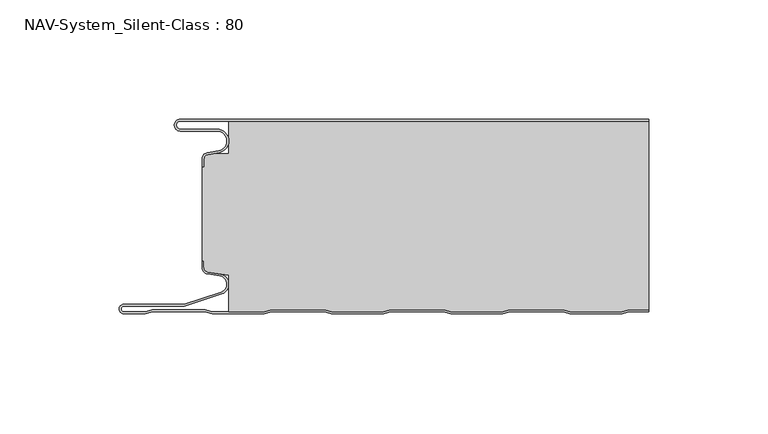
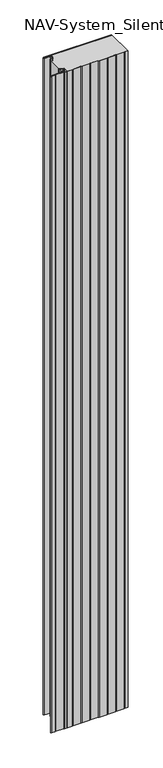
"""IFC4 building model written with IfcOpenShell, lengths in millimetres: plate geometry, NAV-System_Silent-Class : 80."""

from ifc_helpers import new_model, si_unit, frame, origin, place, context, project, spatial, polyline, circle_curve, source, transform, mapped, element, save
from ifc_brep_helpers import plane_surface, cylinder_surface, revolved_surface, advanced_brep


def nav_system_silent_class_80_f491440d(model_context):
    return source(origin(), model_context, "Body", "AdvancedBrep", [
        advanced_brep(
        [(-97.0000001, -0.8000002, 0.0), (-97.0000001, -4.1999999, 0.0), (-81.6002086, -4.1999999, 0.0), (-80.7423864, -14.0049502, 0.0), (-85.6125665, -14.8636946, 0.0), (-87.1000004, -16.6363494, 0.0), (-87.1000014, -19.9421291, 0.0), (-87.9000014, -19.9421291, 0.0), (-87.9000014, -16.6363484, 0.0), (-85.7514853, -14.0758488, 0.0), (-80.8813015, -13.217104, 0.0), (-81.600205, -4.9999999, 0.0), (-97.0000001, -4.9999999, 0.0), (-97.0000001, 0.0, 0.0), (99.5, 0.0, 0.0), (99.5, -0.8, 0.0), (-97.0000001, 0.0, 2000.0), (-97.0000001, -4.9999999, 2000.0), (-81.600205, -4.9999999, 2000.0), (-80.8813015, -13.217104, 2000.0), (-85.7514853, -14.0758488, 2000.0), (-87.8999997, -16.6363484, 2000.0), (-87.9000014, -19.9421291, 2000.0), (-87.1000014, -19.9421291, 2000.0), (-87.1000014, -16.6363494, 2000.0), (-85.6125665, -14.8636946, 2000.0), (-80.7423864, -14.0049502, 2000.0), (-81.6002086, -4.1999999, 2000.0), (-97.0000001, -4.1999999, 2000.0), (-97.0000001, -0.8000002, 2000.0), (99.5, -0.8, 2000.0), (99.5, 0.0, 2000.0)],
        [
            (0, 1, circle_curve(frame((-97.0000001, -2.5, 0.0), z_axis=(0.0, 0.0, 1.0), x_axis=(1.0, 0.0, 0.0)), 1.6999999)),
            (1, 2),
            (2, 3, circle_curve(frame((-81.6002086, -9.1399999, 0.0), z_axis=(0.0, 0.0, -1.0), x_axis=(1.0, 0.0, 0.0)), 4.94)),
            (3, 4),
            (4, 5, circle_curve(frame((-85.2999995, -16.6363494, 0.0), z_axis=(0.0, 0.0, 1.0), x_axis=(1.0, 0.0, 0.0)), 1.8000009)),
            (5, 6),
            (6, 7),
            (7, 8),
            (8, 9, circle_curve(frame((-85.3000002, -16.6363484, 0.0), z_axis=(0.0, 0.0, -1.0), x_axis=(1.0, 0.0, 0.0)), 2.5999995)),
            (9, 10),
            (10, 11, circle_curve(frame((-81.600205, -9.1399999, 0.0), z_axis=(0.0, 0.0, 1.0), x_axis=(1.0, 0.0, 0.0)), 4.14)),
            (11, 12),
            (12, 13, circle_curve(frame((-97.0000001, -2.4999999, 0.0), z_axis=(0.0, 0.0, -1.0), x_axis=(1.0, 0.0, 0.0)), 2.4999999)),
            (13, 14),
            (14, 15),
            (15, 0),
            (16, 17, circle_curve(frame((-97.0000001, -2.4999999, 2000.0), z_axis=(0.0, 0.0, 1.0), x_axis=(1.0, 0.0, 0.0)), 2.4999999)),
            (17, 18),
            (18, 19, circle_curve(frame((-81.600205, -9.1399999, 2000.0), z_axis=(0.0, 0.0, -1.0), x_axis=(1.0, 0.0, 0.0)), 4.14)),
            (19, 20),
            (20, 21, circle_curve(frame((-85.3000002, -16.6363484, 2000.0), z_axis=(0.0, 0.0, 1.0), x_axis=(1.0, 0.0, 0.0)), 2.5999995)),
            (21, 22),
            (22, 23),
            (23, 24),
            (24, 25, circle_curve(frame((-85.2999995, -16.6363494, 2000.0), z_axis=(0.0, 0.0, -1.0), x_axis=(1.0, 0.0, 0.0)), 1.8000009)),
            (25, 26),
            (26, 27, circle_curve(frame((-81.6002086, -9.1399999, 2000.0), z_axis=(0.0, 0.0, 1.0), x_axis=(1.0, 0.0, 0.0)), 4.94)),
            (27, 28),
            (28, 29, circle_curve(frame((-97.0000001, -2.5, 2000.0), z_axis=(0.0, 0.0, -1.0), x_axis=(1.0, 0.0, 0.0)), 1.6999999)),
            (29, 30),
            (30, 31),
            (31, 16),
            (29, 0),
            (15, 30),
            (13, 16),
            (31, 14),
            (1, 28),
            (27, 2),
            (5, 24),
            (23, 6),
            (22, 7),
            (21, 8),
            (11, 18),
            (17, 12),
            (26, 3),
            (25, 4),
            (20, 9),
            (19, 10),
        ],
        [
            plane_surface(frame((-99.5, 0.0, 0.0), z_axis=(0.0, 0.0, -1.0), x_axis=(0.0, -1.0, 0.0))),
            plane_surface(frame((-99.5, 0.0, 2000.0), z_axis=(0.0, 0.0, 1.0), x_axis=(0.0, -1.0, 0.0))),
            plane_surface(frame((898.5000017, -0.8, 0.0), z_axis=(0.0, -1.0, 0.0), x_axis=(0.0, 0.0, 1.0))),
            plane_surface(frame((-97.0000001, 0.0, 0.0), z_axis=(0.0, 1.0, 0.0), x_axis=(0.0, 0.0, 1.0))),
            plane_surface(frame((-97.0000001, -4.1999999, 0.0), z_axis=(0.0, 1.0, 0.0), x_axis=(0.0, 0.0, 1.0))),
            plane_surface(frame((-87.1000014, -16.6363494, 0.0), z_axis=(1.0, 0.0, 0.0), x_axis=(0.0, 0.0, 1.0))),
            plane_surface(frame((-87.1000014, -19.9421291, 0.0), z_axis=(0.0, -1.0, 0.0), x_axis=(0.0, 0.0, 1.0))),
            plane_surface(frame((-87.9000014, -19.9421291, 0.0), z_axis=(-1.0, 0.0, 0.0), x_axis=(0.0, 0.0, 1.0))),
            plane_surface(frame((-81.600205, -4.9999999, 0.0), z_axis=(0.0, -1.0, 0.0), x_axis=(0.0, 0.0, 1.0))),
            revolved_surface(polyline([(-95.3000002, -2.5, 2000.0), (-95.3000002, -2.5, 0.0)]), (-97.0000001, -2.5, 0.0), (0.0, 0.0, 1.0)),
            cylinder_surface(frame((-81.6002086, -9.1399999, 0.0), z_axis=(0.0, 0.0, -1.0), x_axis=(1.0, 0.0, 0.0)), 4.94),
            plane_surface(frame((-80.7423864, -14.0049502, 0.0), z_axis=(0.17364822279076972, -0.9848077450556567, 0.0), x_axis=(0.0, 0.0, 1.0))),
            revolved_surface(polyline([(-83.4999986, -16.6363494, 2000.0), (-83.4999986, -16.6363494, 0.0)]), (-85.2999995, -16.6363494, 0.0), (0.0, 0.0, 1.0)),
            cylinder_surface(frame((-85.3000002, -16.6363484, 0.0), z_axis=(0.0, 0.0, -1.0), x_axis=(1.0, 0.0, 0.0)), 2.5999995),
            plane_surface(frame((-85.7514853, -14.0758488, 0.0), z_axis=(-0.17364817295915452, 0.984807753842316, 0.0), x_axis=(0.0, 0.0, 1.0))),
            revolved_surface(polyline([(-77.460205, -9.1399999, 2000.0), (-77.460205, -9.1399999, 0.0)]), (-81.600205, -9.1399999, 0.0), (0.0, 0.0, 1.0)),
            cylinder_surface(frame((-97.0000001, -2.4999999, 0.0), z_axis=(0.0, 0.0, -1.0), x_axis=(1.0, 0.0, 0.0)), 2.4999999),
            plane_surface(frame((99.5, 100.0, 2000.0), z_axis=(1.0, 0.0, 0.0), x_axis=(0.0, 0.0, -1.0))),
        ],
        [
            (0, [[1, 2, 3, 4, 5, 6, 7, 8, 9, 10, 11, 12, 13, 14, 15, 16]]),
            (1, [[17, 18, 19, 20, 21, 22, 23, 24, 25, 26, 27, 28, 29, 30, 31, 32]]),
            (2, [[33, -16, 34, -30]]),
            (3, [[35, -32, 36, -14]]),
            (4, [[-2, 37, -28, 38]]),
            (5, [[-6, 39, -24, 40]]),
            (6, [[-7, -40, -23, 41]]),
            (7, [[-8, -41, -22, 42]]),
            (8, [[-12, 43, -18, 44]]),
            (9, [[-1, -33, -29, -37]]),
            (10, [[-3, -38, -27, 45]]),
            (11, [[-4, -45, -26, 46]]),
            (12, [[-5, -46, -25, -39]]),
            (13, [[-9, -42, -21, 47]]),
            (14, [[-10, -47, -20, 48]]),
            (15, [[-11, -48, -19, -43]]),
            (16, [[-13, -44, -17, -35]]),
            (17, [[-15, -36, -31, -34]]),
        ],
    ),
        advanced_brep(
        [(-76.6719045, -0.8, 2000.0), (-76.6719045, -14.4343223, 2000.0), (-83.1891722, -14.4343223, 2000.0), (-85.6242625, -14.8636946, 2000.0), (-87.1116964, -16.636349, 2000.0), (-87.1116974, -19.9512003, 2000.0), (-87.9116974, -19.9512003, 2000.0), (-87.9116974, -59.3983656, 2000.0), (-87.1116974, -59.3983656, 2000.0), (-87.1116974, -62.1656409, 2000.0), (-85.4245663, -64.1410176, 2000.0), (-76.6248082, -65.5347623, 2000.0), (-76.6248082, -80.8, 2000.0), (-61.8218295, -80.8, 2000.0), (-58.7610803, -80.0, 2000.0), (-36.5891849, -80.0, 2000.0), (-33.5284357, -80.8, 2000.0), (-11.8218295, -80.8, 2000.0), (-8.7610803, -80.0, 2000.0), (13.4108151, -80.0, 2000.0), (16.4715643, -80.8, 2000.0), (38.1904, -80.8, 2000.0), (41.2511493, -80.0, 2000.0), (63.4108151, -80.0, 2000.0), (66.4715643, -80.8, 2000.0), (88.1781705, -80.8, 2000.0), (91.2389197, -80.0, 2000.0), (99.5, -80.0, 2000.0), (99.5, -0.8, 2000.0), (91.2389197, -80.0, 0.0), (88.1781705, -80.8, 0.0), (66.4715643, -80.8, 0.0), (63.4108151, -80.0, 0.0), (41.2511493, -80.0, 0.0), (38.1904, -80.8, 0.0), (16.4715643, -80.8, 0.0), (13.4108151, -80.0, 0.0), (-8.7610803, -80.0, 0.0), (-11.8218295, -80.8, 0.0), (-33.5284357, -80.8, 0.0), (-36.5891849, -80.0, 0.0), (-58.7610803, -80.0, 0.0), (-61.8218295, -80.8, 0.0), (-76.6248082, -80.8, 0.0), (-76.6248082, -65.5347623, 0.0), (-85.4245663, -64.1410176, 0.0), (-87.1116974, -62.1656409, 0.0), (-87.1116974, -59.3983656, 0.0), (-87.9116974, -59.3983656, 0.0), (-87.9116974, -19.9512003, 0.0), (-87.1116974, -19.9512003, 0.0), (-87.1116974, -16.636349, 0.0), (-85.6242625, -14.8636946, 0.0), (-83.1891722, -14.4343223, 0.0), (-76.6719045, -14.4343223, 0.0), (-76.6719045, -0.8, 0.0), (99.5, -0.8, 0.0), (99.5, -80.0, 0.0)],
        [
            (0, 1),
            (1, 2),
            (2, 3),
            (3, 4, circle_curve(frame((-85.3116955, -16.6363494, 2000.0), z_axis=(0.0, 0.0, 1.0), x_axis=(1.0, 0.0, 0.0)), 1.8000009)),
            (4, 5),
            (5, 6),
            (6, 7),
            (7, 8),
            (8, 9),
            (9, 10, circle_curve(frame((-85.1116974, -62.1656409, 2000.0), z_axis=(0.0, 0.0, 1.0), x_axis=(1.0, 0.0, 0.0)), 2.0)),
            (10, 11),
            (11, 12),
            (12, 13),
            (13, 14),
            (14, 15),
            (15, 16),
            (16, 17),
            (17, 18),
            (18, 19),
            (19, 20),
            (20, 21),
            (21, 22),
            (22, 23),
            (23, 24),
            (24, 25),
            (25, 26),
            (26, 27),
            (27, 28),
            (28, 0),
            (29, 30),
            (30, 31),
            (31, 32),
            (32, 33),
            (33, 34),
            (34, 35),
            (35, 36),
            (36, 37),
            (37, 38),
            (38, 39),
            (39, 40),
            (40, 41),
            (41, 42),
            (42, 43),
            (43, 44),
            (44, 45),
            (45, 46, circle_curve(frame((-85.1116974, -62.1656409, 0.0), z_axis=(0.0, 0.0, -1.0), x_axis=(1.0, 0.0, 0.0)), 2.0)),
            (46, 47),
            (47, 48),
            (48, 49),
            (49, 50),
            (50, 51),
            (51, 52, circle_curve(frame((-85.3116955, -16.6363494, 0.0), z_axis=(0.0, 0.0, -1.0), x_axis=(1.0, 0.0, 0.0)), 1.8000009)),
            (52, 53),
            (53, 54),
            (54, 55),
            (55, 56),
            (56, 57),
            (57, 29),
            (55, 0),
            (28, 56),
            (54, 1),
            (53, 2),
            (52, 3),
            (51, 4),
            (50, 5),
            (49, 6),
            (48, 7),
            (47, 8),
            (46, 9),
            (45, 10),
            (44, 11),
            (43, 12),
            (42, 13),
            (41, 14),
            (40, 15),
            (39, 16),
            (38, 17),
            (37, 18),
            (36, 19),
            (35, 20),
            (34, 21),
            (33, 22),
            (32, 23),
            (31, 24),
            (30, 25),
            (29, 26),
            (57, 27),
        ],
        [
            plane_surface(frame((-99.5, 0.0, 2000.0), z_axis=(0.0, 0.0, 1.0), x_axis=(0.0, -1.0, 0.0))),
            plane_surface(frame((-99.5, 0.0, 0.0), z_axis=(0.0, 0.0, -1.0), x_axis=(0.0, -1.0, 0.0))),
            plane_surface(frame((898.4883057, -0.8, 2000.0), z_axis=(0.0, 1.0, 0.0), x_axis=(0.0, 0.0, -1.0))),
            plane_surface(frame((-76.6719045, -0.8, 2000.0), z_axis=(-1.0, 0.0, 0.0), x_axis=(0.0, 0.0, -1.0))),
            plane_surface(frame((-76.6719045, -14.4343223, 2000.0), z_axis=(0.0, 1.0, 0.0), x_axis=(0.0, 0.0, -1.0))),
            plane_surface(frame((-83.1891722, -14.4343223, 2000.0), z_axis=(-0.17364822279077605, 0.9848077450556556, 0.0), x_axis=(0.0, 0.0, -1.0))),
            cylinder_surface(frame((-85.3116955, -16.6363494, 2000.0), z_axis=(0.0, 0.0, 1.0), x_axis=(1.0, 0.0, 0.0)), 1.8000009),
            plane_surface(frame((-87.1116974, -16.636349, 2000.0), z_axis=(-1.0, 0.0, 0.0), x_axis=(0.0, 0.0, -1.0))),
            plane_surface(frame((-87.1116974, -19.9512003, 2000.0), z_axis=(0.0, 1.0, 0.0), x_axis=(0.0, 0.0, -1.0))),
            plane_surface(frame((-87.9116974, -19.9512003, 2000.0), z_axis=(-1.0, 0.0, 0.0), x_axis=(0.0, 0.0, -1.0))),
            plane_surface(frame((-87.9116974, -59.3983656, 2000.0), z_axis=(0.0, -1.0, 0.0), x_axis=(0.0, 0.0, -1.0))),
            plane_surface(frame((-87.1116974, -59.3983656, 2000.0), z_axis=(-1.0, 0.0, 0.0), x_axis=(0.0, 0.0, -1.0))),
            cylinder_surface(frame((-85.1116974, -62.1656409, 2000.0), z_axis=(0.0, 0.0, 1.0), x_axis=(1.0, 0.0, 0.0)), 2.0),
            plane_surface(frame((-85.4245663, -64.1410176, 2000.0), z_axis=(-0.15643446503997957, -0.9876883405951775, 0.0), x_axis=(0.0, 0.0, -1.0))),
            plane_surface(frame((-76.6248082, -65.5347623, 2000.0), z_axis=(-1.0, 0.0, 0.0), x_axis=(0.0, 0.0, -1.0))),
            plane_surface(frame((-76.6248082, -80.8, 2000.0), z_axis=(0.0, -1.0, 0.0), x_axis=(0.0, 0.0, -1.0))),
            plane_surface(frame((-61.8218295, -80.8, 2000.0), z_axis=(0.25287873100818337, -0.9674979831522601, 0.0), x_axis=(0.0, 0.0, -1.0))),
            plane_surface(frame((-58.7610803, -80.0, 2000.0), z_axis=(0.0, -1.0, 0.0), x_axis=(0.0, 0.0, -1.0))),
            plane_surface(frame((-36.5891849, -80.0, 2000.0), z_axis=(-0.2528787310100107, -0.9674979831517825, 0.0), x_axis=(0.0, 0.0, -1.0))),
            plane_surface(frame((-33.5284357, -80.8, 2000.0), z_axis=(0.0, -1.0, 0.0), x_axis=(0.0, 0.0, -1.0))),
            plane_surface(frame((-11.8218295, -80.8, 2000.0), z_axis=(0.2528787310082462, -0.9674979831522437, 0.0), x_axis=(0.0, 0.0, -1.0))),
            plane_surface(frame((-8.7610803, -80.0, 2000.0), z_axis=(0.0, -1.0, 0.0), x_axis=(0.0, 0.0, -1.0))),
            plane_surface(frame((13.4108151, -80.0, 2000.0), z_axis=(-0.25287873100843644, -0.9674979831521939, 0.0), x_axis=(0.0, 0.0, -1.0))),
            plane_surface(frame((16.4715643, -80.8, 2000.0), z_axis=(0.0, -1.0, 0.0), x_axis=(0.0, 0.0, -1.0))),
            plane_surface(frame((38.1904, -80.8, 2000.0), z_axis=(0.25287873100806824, -0.9674979831522902, 0.0), x_axis=(0.0, 0.0, -1.0))),
            plane_surface(frame((41.2511493, -80.0, 2000.0), z_axis=(0.0, -1.0, 0.0), x_axis=(0.0, 0.0, -1.0))),
            plane_surface(frame((63.4108151, -80.0, 2000.0), z_axis=(-0.25287873100835406, -0.9674979831522155, 0.0), x_axis=(0.0, 0.0, -1.0))),
            plane_surface(frame((66.4715643, -80.8, 2000.0), z_axis=(0.0, -1.0, 0.0), x_axis=(0.0, 0.0, -1.0))),
            plane_surface(frame((88.1781705, -80.8, 2000.0), z_axis=(0.25287873100822345, -0.9674979831522497, 0.0), x_axis=(0.0, 0.0, -1.0))),
            plane_surface(frame((91.2389197, -80.0, 2000.0), z_axis=(0.0, -1.0, 0.0), x_axis=(0.0, 0.0, -1.0))),
            plane_surface(frame((99.5, 100.0, 2000.0), z_axis=(1.0, 0.0, 0.0), x_axis=(0.0, 0.0, -1.0))),
        ],
        [
            (0, [[1, 2, 3, 4, 5, 6, 7, 8, 9, 10, 11, 12, 13, 14, 15, 16, 17, 18, 19, 20, 21, 22, 23, 24, 25, 26, 27, 28, 29]]),
            (1, [[30, 31, 32, 33, 34, 35, 36, 37, 38, 39, 40, 41, 42, 43, 44, 45, 46, 47, 48, 49, 50, 51, 52, 53, 54, 55, 56, 57, 58]]),
            (2, [[59, -29, 60, -56]]),
            (3, [[-1, -59, -55, 61]]),
            (4, [[-2, -61, -54, 62]]),
            (5, [[-3, -62, -53, 63]]),
            (6, [[-4, -63, -52, 64]]),
            (7, [[-5, -64, -51, 65]]),
            (8, [[-6, -65, -50, 66]]),
            (9, [[-7, -66, -49, 67]]),
            (10, [[-8, -67, -48, 68]]),
            (11, [[-9, -68, -47, 69]]),
            (12, [[-10, -69, -46, 70]]),
            (13, [[-11, -70, -45, 71]]),
            (14, [[-12, -71, -44, 72]]),
            (15, [[-13, -72, -43, 73]]),
            (16, [[-14, -73, -42, 74]]),
            (17, [[-15, -74, -41, 75]]),
            (18, [[-16, -75, -40, 76]]),
            (19, [[-17, -76, -39, 77]]),
            (20, [[-18, -77, -38, 78]]),
            (21, [[-19, -78, -37, 79]]),
            (22, [[-20, -79, -36, 80]]),
            (23, [[-21, -80, -35, 81]]),
            (24, [[-22, -81, -34, 82]]),
            (25, [[-23, -82, -33, 83]]),
            (26, [[-24, -83, -32, 84]]),
            (27, [[-25, -84, -31, 85]]),
            (28, [[-26, -85, -30, 86]]),
            (29, [[-86, -58, 87, -27]]),
            (30, [[-28, -87, -57, -60]]),
        ],
    ),
        advanced_brep(
        [(91.239397, -80.0, 2000.0), (88.1786477, -80.8, 2000.0), (66.4720416, -80.8, 2000.0), (63.4112923, -80.0, 2000.0), (41.2516265, -80.0, 2000.0), (38.1908772, -80.8, 2000.0), (16.4720416, -80.8, 2000.0), (13.4112923, -80.0, 2000.0), (-8.760603, -80.0, 2000.0), (-11.8213523, -80.8, 2000.0), (-33.5279584, -80.8, 2000.0), (-36.5887077, -80.0, 2000.0), (-58.760603, -80.0, 2000.0), (-61.8213523, -80.8, 2000.0), (-83.5279584, -80.8, 2000.0), (-86.5887077, -80.0, 2000.0), (-108.760603, -80.0, 2000.0), (-111.8190206, -80.7993906, 2000.0), (-120.7154182, -80.7993906, 2000.0), (-120.6771783, -78.4000003, 2000.0), (-95.3414726, -78.4000003, 2000.0), (-79.6231923, -73.2926893, 2000.0), (-80.2358126, -64.9629887, 2000.0), (-85.4240891, -64.1412465, 2000.0), (-87.1112201, -62.1658698, 2000.0), (-87.1112201, -59.3985945, 2000.0), (-87.9112201, -59.3985945, 2000.0), (-87.9112201, -62.1658698, 2000.0), (-85.5140582, -64.93674, 2000.0), (-80.4044746, -65.7460185, 2000.0), (-79.8704103, -72.5316172, 2000.0), (-95.4681798, -77.6000003, 2000.0), (-120.6771783, -77.6000003, 2000.0), (-120.726556, -81.5993906, 2000.0), (-111.7161981, -81.5993906, 2000.0), (-108.6577806, -80.8, 2000.0), (-86.6915302, -80.8, 2000.0), (-83.6307809, -81.6, 2000.0), (-61.7185298, -81.6, 2000.0), (-58.6577806, -80.8, 2000.0), (-36.6915302, -80.8, 2000.0), (-33.6307809, -81.6, 2000.0), (-11.7185298, -81.6, 2000.0), (-8.6577806, -80.8, 2000.0), (13.3084698, -80.8, 2000.0), (16.3692191, -81.6, 2000.0), (38.2936997, -81.6, 2000.0), (41.354449, -80.8, 2000.0), (63.3084698, -80.8, 2000.0), (66.3692191, -81.6, 2000.0), (88.2814702, -81.6, 2000.0), (91.3422194, -80.8, 2000.0), (99.5, -80.8, 2000.0), (99.5, -80.0, 2000.0), (91.3422194, -80.8, 0.0), (88.2814702, -81.6, 0.0), (66.3692191, -81.6, 0.0), (63.3084698, -80.8, 0.0), (41.354449, -80.8, 0.0), (38.2936997, -81.6, 0.0), (16.3692191, -81.6, 0.0), (13.3084698, -80.8, 0.0), (-8.6577806, -80.8, 0.0), (-11.7185298, -81.6, 0.0), (-33.6307809, -81.6, 0.0), (-36.6915302, -80.8, 0.0), (-58.6577806, -80.8, 0.0), (-61.7185298, -81.6, 0.0), (-83.6307809, -81.6, 0.0), (-86.6915302, -80.8, 0.0), (-108.6577806, -80.8, 0.0), (-111.7161981, -81.5993906, 0.0), (-120.726556, -81.5993906, 0.0), (-120.6771783, -77.6000003, 0.0), (-95.4681798, -77.6000003, 0.0), (-79.8704103, -72.5318461, 0.0), (-80.4044746, -65.7460185, 0.0), (-85.5140582, -64.93674, 0.0), (-87.9112201, -62.1658698, 0.0), (-87.9112201, -59.3985945, 0.0), (-87.1112201, -59.3985945, 0.0), (-87.1112201, -62.1658698, 0.0), (-85.4240891, -64.1412465, 0.0), (-80.2358126, -64.9629887, 0.0), (-79.6231923, -73.2924604, 0.0), (-95.3414726, -78.4000003, 0.0), (-120.6771783, -78.4000003, 0.0), (-120.7154182, -80.7993906, 0.0), (-111.8190206, -80.7993906, 0.0), (-108.760603, -80.0, 0.0), (-86.5887077, -80.0, 0.0), (-83.5279584, -80.8, 0.0), (-61.8213523, -80.8, 0.0), (-58.760603, -80.0, 0.0), (-36.5887077, -80.0, 0.0), (-33.5279584, -80.8, 0.0), (-11.8213523, -80.8, 0.0), (-8.760603, -80.0, 0.0), (13.4112923, -80.0, 0.0), (16.4720416, -80.8, 0.0), (38.1908772, -80.8, 0.0), (41.2516265, -80.0, 0.0), (63.4112923, -80.0, 0.0), (66.4720416, -80.8, 0.0), (88.1786477, -80.8, 0.0), (91.239397, -80.0, 0.0), (99.5, -80.0, 0.0), (99.5, -80.8, 0.0)],
        [
            (0, 1),
            (1, 2),
            (2, 3),
            (3, 4),
            (4, 5),
            (5, 6),
            (6, 7),
            (7, 8),
            (8, 9),
            (9, 10),
            (10, 11),
            (11, 12),
            (12, 13),
            (13, 14),
            (14, 15),
            (15, 16),
            (16, 17),
            (17, 18),
            (18, 19, circle_curve(frame((-120.6771783, -79.6000001, 2000.0), z_axis=(0.0, 0.0, -1.0), x_axis=(1.0, 0.0, 0.0)), 1.1999999)),
            (19, 20),
            (20, 21),
            (21, 22, circle_curve(frame((-80.9519964, -69.2029275, 2000.0), z_axis=(0.0, 0.0, 1.0), x_axis=(1.0, 0.0, 0.0)), 4.3)),
            (22, 23),
            (23, 24, circle_curve(frame((-85.1112201, -62.1658698, 2000.0), z_axis=(0.0, 0.0, -1.0), x_axis=(1.0, 0.0, 0.0)), 2.0)),
            (24, 25),
            (25, 26),
            (26, 27),
            (27, 28, circle_curve(frame((-85.1112201, -62.1658698, 2000.0), z_axis=(0.0, 0.0, 1.0), x_axis=(1.0, 0.0, 0.0)), 2.8)),
            (28, 29),
            (29, 30, circle_curve(frame((-80.9519952, -69.2029277, 2000.0), z_axis=(0.0, 0.0, -1.0), x_axis=(1.0, 0.0, 0.0)), 3.5)),
            (30, 31),
            (31, 32),
            (32, 33, circle_curve(frame((-120.6771783, -79.6000003, 2000.0), z_axis=(0.0, 0.0, 1.0), x_axis=(1.0, 0.0, 0.0)), 1.9999999)),
            (33, 34),
            (34, 35),
            (35, 36),
            (36, 37),
            (37, 38),
            (38, 39),
            (39, 40),
            (40, 41),
            (41, 42),
            (42, 43),
            (43, 44),
            (44, 45),
            (45, 46),
            (46, 47),
            (47, 48),
            (48, 49),
            (49, 50),
            (50, 51),
            (51, 52),
            (52, 53),
            (53, 0),
            (54, 55),
            (55, 56),
            (56, 57),
            (57, 58),
            (58, 59),
            (59, 60),
            (60, 61),
            (61, 62),
            (62, 63),
            (63, 64),
            (64, 65),
            (65, 66),
            (66, 67),
            (67, 68),
            (68, 69),
            (69, 70),
            (70, 71),
            (71, 72),
            (72, 73, circle_curve(frame((-120.6771783, -79.6000003, 0.0), z_axis=(0.0, 0.0, -1.0), x_axis=(1.0, 0.0, 0.0)), 1.9999999)),
            (73, 74),
            (74, 75),
            (75, 76, circle_curve(frame((-80.9519952, -69.2029277, 0.0), z_axis=(0.0, 0.0, 1.0), x_axis=(1.0, 0.0, 0.0)), 3.5)),
            (76, 77),
            (77, 78, circle_curve(frame((-85.1112201, -62.1658698, 0.0), z_axis=(0.0, 0.0, -1.0), x_axis=(1.0, 0.0, 0.0)), 2.8)),
            (78, 79),
            (79, 80),
            (80, 81),
            (81, 82, circle_curve(frame((-85.1112201, -62.1658698, 0.0), z_axis=(0.0, 0.0, 1.0), x_axis=(1.0, 0.0, 0.0)), 2.0)),
            (82, 83),
            (83, 84, circle_curve(frame((-80.9519964, -69.2029275, 0.0), z_axis=(0.0, 0.0, -1.0), x_axis=(1.0, 0.0, 0.0)), 4.3)),
            (84, 85),
            (85, 86),
            (86, 87, circle_curve(frame((-120.6771783, -79.6000001, 0.0), z_axis=(0.0, 0.0, 1.0), x_axis=(1.0, 0.0, 0.0)), 1.1999999)),
            (87, 88),
            (88, 89),
            (89, 90),
            (90, 91),
            (91, 92),
            (92, 93),
            (93, 94),
            (94, 95),
            (95, 96),
            (96, 97),
            (97, 98),
            (98, 99),
            (99, 100),
            (100, 101),
            (101, 102),
            (102, 103),
            (103, 104),
            (104, 105),
            (105, 106),
            (106, 107),
            (107, 54),
            (17, 88),
            (87, 18),
            (86, 19),
            (85, 20),
            (84, 21),
            (22, 83),
            (82, 23),
            (81, 24),
            (80, 25),
            (79, 26),
            (78, 27),
            (77, 28),
            (30, 75),
            (74, 31),
            (73, 32),
            (72, 33),
            (71, 34),
            (105, 0),
            (53, 106),
            (104, 1),
            (103, 2),
            (102, 3),
            (101, 4),
            (100, 5),
            (99, 6),
            (98, 7),
            (97, 8),
            (96, 9),
            (95, 10),
            (94, 11),
            (93, 12),
            (92, 13),
            (91, 14),
            (90, 15),
            (89, 16),
            (76, 29),
            (70, 35),
            (69, 36),
            (68, 37),
            (67, 38),
            (66, 39),
            (65, 40),
            (64, 41),
            (63, 42),
            (62, 43),
            (61, 44),
            (60, 45),
            (59, 46),
            (58, 47),
            (57, 48),
            (56, 49),
            (55, 50),
            (54, 51),
            (107, 52),
        ],
        [
            plane_surface(frame((-99.5, -81.6, 2000.0), z_axis=(0.0, 0.0, 1.0), x_axis=(-1.0, 0.0, 0.0))),
            plane_surface(frame((-99.5, -81.6, 0.0), z_axis=(0.0, 0.0, -1.0), x_axis=(-1.0, 0.0, 0.0))),
            plane_surface(frame((-111.8190206, -80.7993906, 2000.0), z_axis=(0.0, 1.0, 0.0), x_axis=(0.0, 0.0, -1.0))),
            revolved_surface(polyline([(-119.4771784, -79.6000001, 0.0), (-119.4771784, -79.6000001, 2000.0)]), (-120.6771783, -79.6000001, 2000.0), (0.0, 0.0, -1.0)),
            plane_surface(frame((-120.6771783, -78.4000003, 2000.0), z_axis=(0.0, -1.0, 0.0), x_axis=(0.0, 0.0, -1.0))),
            plane_surface(frame((-95.3414726, -78.4000003, 2000.0), z_axis=(0.30902422182651945, -0.9510541679234229, 0.0), x_axis=(0.0, 0.0, -1.0))),
            plane_surface(frame((-80.2358126, -64.9629887, 2000.0), z_axis=(0.15643446504003203, 0.9876883405951694, 0.0), x_axis=(0.0, 0.0, -1.0))),
            revolved_surface(polyline([(-83.1112201, -62.1658698, 0.0), (-83.1112201, -62.1658698, 2000.0)]), (-85.1112201, -62.1658698, 2000.0), (0.0, 0.0, -1.0)),
            plane_surface(frame((-87.1112201, -62.1658698, 2000.0), z_axis=(1.0, 0.0, 0.0), x_axis=(0.0, 0.0, -1.0))),
            plane_surface(frame((-87.1112201, -59.3985945, 2000.0), z_axis=(0.0, 1.0, 0.0), x_axis=(0.0, 0.0, -1.0))),
            plane_surface(frame((-87.9112201, -59.3985945, 2000.0), z_axis=(-1.0, 0.0, 0.0), x_axis=(0.0, 0.0, -1.0))),
            cylinder_surface(frame((-85.1112201, -62.1658698, 2000.0), z_axis=(0.0, 0.0, 1.0), x_axis=(1.0, 0.0, 0.0)), 2.8),
            plane_surface(frame((-79.8704103, -72.5318461, 2000.0), z_axis=(-0.3090242543637345, 0.9510541573511668, 0.0), x_axis=(0.0, 0.0, -1.0))),
            plane_surface(frame((-95.4681798, -77.6000003, 2000.0), z_axis=(0.0, 1.0, 0.0), x_axis=(0.0, 0.0, -1.0))),
            cylinder_surface(frame((-120.6771783, -79.6000003, 2000.0), z_axis=(0.0, 0.0, 1.0), x_axis=(1.0, 0.0, 0.0)), 1.9999999),
            plane_surface(frame((-120.726556, -81.5993906, 2000.0), z_axis=(0.0, -1.0, 0.0), x_axis=(0.0, 0.0, -1.0))),
            plane_surface(frame((113.4112923, -80.0, 2000.0), z_axis=(0.0, 1.0, 0.0), x_axis=(0.0, 0.0, -1.0))),
            plane_surface(frame((91.239397, -80.0, 2000.0), z_axis=(-0.25287873100816, 0.9674979831522662, 0.0), x_axis=(0.0, 0.0, -1.0))),
            plane_surface(frame((88.1786477, -80.8, 2000.0), z_axis=(0.0, 1.0, 0.0), x_axis=(0.0, 0.0, -1.0))),
            plane_surface(frame((66.4720416, -80.8, 2000.0), z_axis=(0.2528787310081598, 0.9674979831522662, 0.0), x_axis=(0.0, 0.0, -1.0))),
            plane_surface(frame((63.4112923, -80.0, 2000.0), z_axis=(0.0, 1.0, 0.0), x_axis=(0.0, 0.0, -1.0))),
            plane_surface(frame((41.2516265, -80.0, 2000.0), z_axis=(-0.25287873100816, 0.9674979831522662, 0.0), x_axis=(0.0, 0.0, -1.0))),
            plane_surface(frame((38.1908772, -80.8, 2000.0), z_axis=(0.0, 1.0, 0.0), x_axis=(0.0, 0.0, -1.0))),
            plane_surface(frame((16.4720416, -80.8, 2000.0), z_axis=(0.2528787310083406, 0.9674979831522191, 0.0), x_axis=(0.0, 0.0, -1.0))),
            plane_surface(frame((13.4112923, -80.0, 2000.0), z_axis=(0.0, 1.0, 0.0), x_axis=(0.0, 0.0, -1.0))),
            plane_surface(frame((-8.760603, -80.0, 2000.0), z_axis=(-0.25287873100834074, 0.9674979831522189, 0.0), x_axis=(0.0, 0.0, -1.0))),
            plane_surface(frame((-11.8213523, -80.8, 2000.0), z_axis=(0.0, 1.0, 0.0), x_axis=(0.0, 0.0, -1.0))),
            plane_surface(frame((-33.5279584, -80.8, 2000.0), z_axis=(0.2528787310081598, 0.9674979831522662, 0.0), x_axis=(0.0, 0.0, -1.0))),
            plane_surface(frame((-36.5887077, -80.0, 2000.0), z_axis=(0.0, 1.0, 0.0), x_axis=(0.0, 0.0, -1.0))),
            plane_surface(frame((-58.760603, -80.0, 2000.0), z_axis=(-0.25287873100816, 0.9674979831522662, 0.0), x_axis=(0.0, 0.0, -1.0))),
            plane_surface(frame((-61.8213523, -80.8, 2000.0), z_axis=(0.0, 1.0, 0.0), x_axis=(0.0, 0.0, -1.0))),
            plane_surface(frame((-83.5279584, -80.8, 2000.0), z_axis=(0.2528787310081598, 0.9674979831522662, 0.0), x_axis=(0.0, 0.0, -1.0))),
            plane_surface(frame((-86.5887077, -80.0, 2000.0), z_axis=(0.0, 1.0, 0.0), x_axis=(0.0, 0.0, -1.0))),
            plane_surface(frame((-108.760603, -80.0, 2000.0), z_axis=(-0.25287873100816, 0.9674979831522662, 0.0), x_axis=(0.0, 0.0, -1.0))),
            cylinder_surface(frame((-80.9519964, -69.2029275, 2000.0), z_axis=(0.0, 0.0, 1.0), x_axis=(1.0, 0.0, 0.0)), 4.3),
            plane_surface(frame((-85.5140582, -64.93674, 2000.0), z_axis=(-0.15643446504045883, -0.9876883405951018, 0.0), x_axis=(0.0, 0.0, -1.0))),
            revolved_surface(polyline([(-77.4519952, -69.2029277, 0.0), (-77.4519952, -69.2029277, 2000.0)]), (-80.9519952, -69.2029277, 2000.0), (0.0, 0.0, -1.0)),
            plane_surface(frame((-111.7161981, -81.5993906, 2000.0), z_axis=(0.25287873100765673, -0.9674979831523978, 0.0), x_axis=(0.0, 0.0, -1.0))),
            plane_surface(frame((-108.6577806, -80.8, 2000.0), z_axis=(0.0, -1.0, 0.0), x_axis=(0.0, 0.0, -1.0))),
            plane_surface(frame((-86.6915302, -80.8, 2000.0), z_axis=(-0.2528787310076565, -0.9674979831523979, 0.0), x_axis=(0.0, 0.0, -1.0))),
            plane_surface(frame((-83.6307809, -81.6, 2000.0), z_axis=(0.0, -1.0, 0.0), x_axis=(0.0, 0.0, -1.0))),
            plane_surface(frame((-61.7185298, -81.6, 2000.0), z_axis=(0.25287873100765673, -0.9674979831523978, 0.0), x_axis=(0.0, 0.0, -1.0))),
            plane_surface(frame((-58.6577806, -80.8, 2000.0), z_axis=(0.0, -1.0, 0.0), x_axis=(0.0, 0.0, -1.0))),
            plane_surface(frame((-36.6915302, -80.8, 2000.0), z_axis=(-0.2528787310078372, -0.9674979831523505, 0.0), x_axis=(0.0, 0.0, -1.0))),
            plane_surface(frame((-33.6307809, -81.6, 2000.0), z_axis=(0.0, -1.0, 0.0), x_axis=(0.0, 0.0, -1.0))),
            plane_surface(frame((-11.7185298, -81.6, 2000.0), z_axis=(0.2528787310078374, -0.9674979831523505, 0.0), x_axis=(0.0, 0.0, -1.0))),
            plane_surface(frame((-8.6577806, -80.8, 2000.0), z_axis=(0.0, -1.0, 0.0), x_axis=(0.0, 0.0, -1.0))),
            plane_surface(frame((13.3084698, -80.8, 2000.0), z_axis=(-0.2528787310078372, -0.9674979831523505, 0.0), x_axis=(0.0, 0.0, -1.0))),
            plane_surface(frame((16.3692191, -81.6, 2000.0), z_axis=(0.0, -1.0, 0.0), x_axis=(0.0, 0.0, -1.0))),
            plane_surface(frame((38.2936997, -81.6, 2000.0), z_axis=(0.2528787310083481, -0.967497983152217, 0.0), x_axis=(0.0, 0.0, -1.0))),
            plane_surface(frame((41.354449, -80.8, 2000.0), z_axis=(0.0, -1.0, 0.0), x_axis=(0.0, 0.0, -1.0))),
            plane_surface(frame((63.3084698, -80.8, 2000.0), z_axis=(-0.2528787310076565, -0.9674979831523979, 0.0), x_axis=(0.0, 0.0, -1.0))),
            plane_surface(frame((66.3692191, -81.6, 2000.0), z_axis=(0.0, -1.0, 0.0), x_axis=(0.0, 0.0, -1.0))),
            plane_surface(frame((88.2814702, -81.6, 2000.0), z_axis=(0.25287873100765673, -0.9674979831523978, 0.0), x_axis=(0.0, 0.0, -1.0))),
            plane_surface(frame((91.3422194, -80.8, 2000.0), z_axis=(0.0, -1.0, 0.0), x_axis=(0.0, 0.0, -1.0))),
            plane_surface(frame((99.5, 100.0, 2000.0), z_axis=(1.0, 0.0, 0.0), x_axis=(0.0, 0.0, -1.0))),
        ],
        [
            (0, [[1, 2, 3, 4, 5, 6, 7, 8, 9, 10, 11, 12, 13, 14, 15, 16, 17, 18, 19, 20, 21, 22, 23, 24, 25, 26, 27, 28, 29, 30, 31, 32, 33, 34, 35, 36, 37, 38, 39, 40, 41, 42, 43, 44, 45, 46, 47, 48, 49, 50, 51, 52, 53, 54]]),
            (1, [[55, 56, 57, 58, 59, 60, 61, 62, 63, 64, 65, 66, 67, 68, 69, 70, 71, 72, 73, 74, 75, 76, 77, 78, 79, 80, 81, 82, 83, 84, 85, 86, 87, 88, 89, 90, 91, 92, 93, 94, 95, 96, 97, 98, 99, 100, 101, 102, 103, 104, 105, 106, 107, 108]]),
            (2, [[-18, 109, -88, 110]]),
            (3, [[-19, -110, -87, 111]]),
            (4, [[-20, -111, -86, 112]]),
            (5, [[-21, -112, -85, 113]]),
            (6, [[-23, 114, -83, 115]]),
            (7, [[-24, -115, -82, 116]]),
            (8, [[-25, -116, -81, 117]]),
            (9, [[-26, -117, -80, 118]]),
            (10, [[-27, -118, -79, 119]]),
            (11, [[-28, -119, -78, 120]]),
            (12, [[-31, 121, -75, 122]]),
            (13, [[-32, -122, -74, 123]]),
            (14, [[-33, -123, -73, 124]]),
            (15, [[-34, -124, -72, 125]]),
            (16, [[126, -54, 127, -106]]),
            (17, [[-1, -126, -105, 128]]),
            (18, [[-2, -128, -104, 129]]),
            (19, [[-3, -129, -103, 130]]),
            (20, [[-4, -130, -102, 131]]),
            (21, [[-5, -131, -101, 132]]),
            (22, [[-6, -132, -100, 133]]),
            (23, [[-7, -133, -99, 134]]),
            (24, [[-8, -134, -98, 135]]),
            (25, [[-9, -135, -97, 136]]),
            (26, [[-10, -136, -96, 137]]),
            (27, [[-11, -137, -95, 138]]),
            (28, [[-12, -138, -94, 139]]),
            (29, [[-13, -139, -93, 140]]),
            (30, [[-14, -140, -92, 141]]),
            (31, [[-15, -141, -91, 142]]),
            (32, [[-16, -142, -90, 143]]),
            (33, [[-17, -143, -89, -109]]),
            (34, [[-22, -113, -84, -114]]),
            (35, [[-29, -120, -77, 144]]),
            (36, [[-30, -144, -76, -121]]),
            (37, [[-35, -125, -71, 145]]),
            (38, [[-36, -145, -70, 146]]),
            (39, [[-37, -146, -69, 147]]),
            (40, [[-38, -147, -68, 148]]),
            (41, [[-39, -148, -67, 149]]),
            (42, [[-40, -149, -66, 150]]),
            (43, [[-41, -150, -65, 151]]),
            (44, [[-42, -151, -64, 152]]),
            (45, [[-43, -152, -63, 153]]),
            (46, [[-44, -153, -62, 154]]),
            (47, [[-45, -154, -61, 155]]),
            (48, [[-46, -155, -60, 156]]),
            (49, [[-47, -156, -59, 157]]),
            (50, [[-48, -157, -58, 158]]),
            (51, [[-49, -158, -57, 159]]),
            (52, [[-50, -159, -56, 160]]),
            (53, [[-51, -160, -55, 161]]),
            (54, [[-161, -108, 162, -52]]),
            (55, [[-53, -162, -107, -127]]),
        ],
    ),
    ])


if __name__ == "__main__":
    model = new_model("IFC4")
    model_context = context("Model", 3, world=origin())
    ifc_project = project(units=[si_unit("LENGTHUNIT", "METRE", prefix="MILLI")], contexts=[model_context])
    site = spatial("IfcSite", under=ifc_project)
    building = spatial("IfcBuilding", under=site)
    placement = place(None, origin())
    nav_system_silent_class_80_shape = nav_system_silent_class_80_f491440d(model_context)
    element("IfcPlate", 1, ObjectType="NAV-System_Silent-Class : 80", at=placement, inside=building, context=model_context, shape_type="MappedRepresentation", body=[
        mapped(nav_system_silent_class_80_shape, transform((0.0, 0.0, 0.0), x_axis=(1.0, 0.0, 0.0), y_axis=(0.0, 1.0, 0.0), z_axis=(0.0, 0.0, 1.0))),
    ])
    save(model, "model.ifc")
